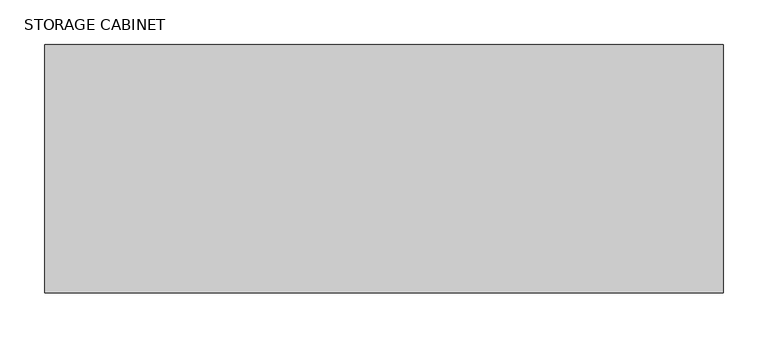
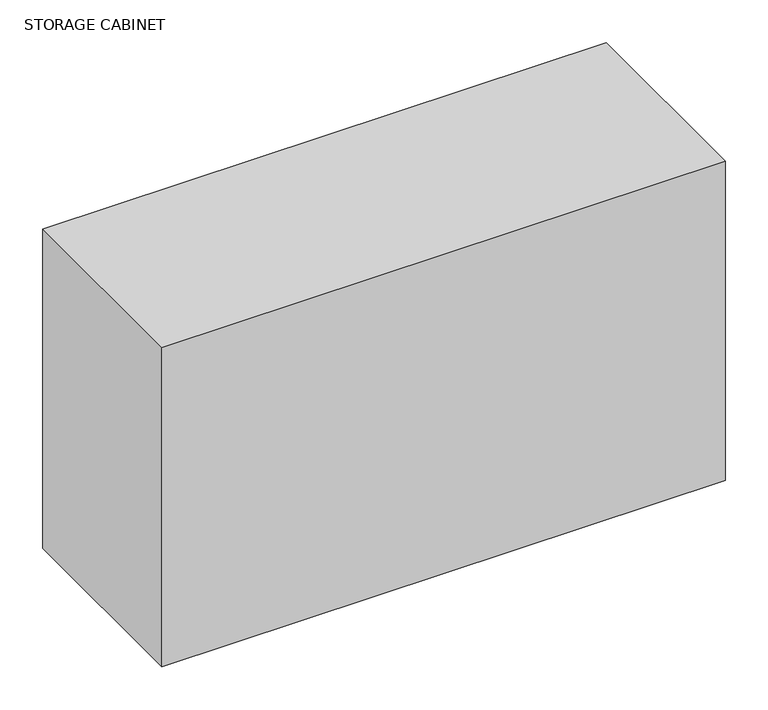
"""IFC4 building model written with IfcOpenShell, lengths in millimetres: proxy geometry, STORAGE CABINET."""

from ifc_helpers import new_model, si_unit, origin, origin_with_axes, place, context, project, spatial, polyline, outline, extrude, source, transform, mapped, element, save


def storage_cabinet_c1871733(model_context):
    return source(origin(), model_context, "Body", "SweptSolid", [
        extrude(outline(polyline([(762.0, 0.0), (762.0, -279.4), (0.0, -279.4), (0.0, 0.0), (762.0, 0.0)])), origin_with_axes(), (0.0, 0.0, 1.0), 457.2),
    ])


if __name__ == "__main__":
    model = new_model("IFC4")
    model_context = context("Model", 3, world=origin())
    ifc_project = project(units=[si_unit("LENGTHUNIT", "METRE", prefix="MILLI")], contexts=[model_context])
    site = spatial("IfcSite", under=ifc_project)
    building = spatial("IfcBuilding", under=site)
    placement = place(None, origin())
    storage_cabinet_shape = storage_cabinet_c1871733(model_context)
    element("IfcBuildingElementProxy", 1, Name="STORAGE CABINET", ObjectType="STORAGE CABINET", at=placement, inside=building, context=model_context, shape_type="MappedRepresentation", body=[
        mapped(storage_cabinet_shape, transform((0.0, 0.0, 0.0), x_axis=(1.0, 0.0, 0.0), y_axis=(0.0, 1.0, 0.0), z_axis=(0.0, 0.0, 1.0))),
    ])
    save(model, "model.ifc")
